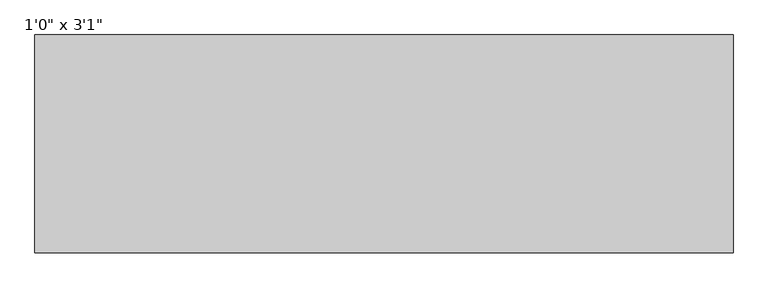
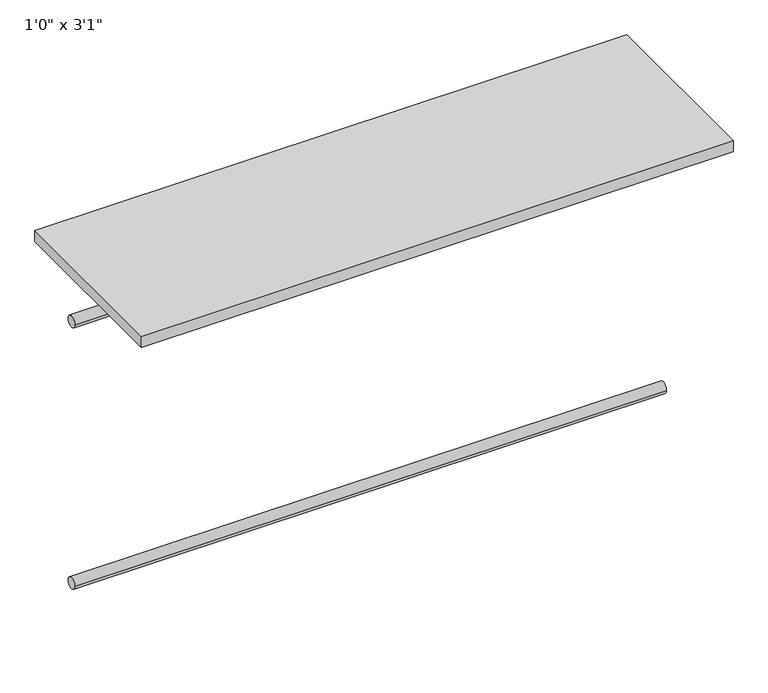
"""IFC4 building model written with IfcOpenShell, lengths in millimetres: furniture geometry."""

from ifc_helpers import new_model, si_unit, point, frame, frame_2d, origin, origin_with_axes, place, context, project, spatial, polyline, circle_curve, trimmed, segment, composite_curve, outline, extrude, source, transform, mapped, element, save


def furniture_14812b6c(model_context):
    return source(origin(), model_context, "Body", "SweptSolid", [
        extrude(outline(composite_curve([segment(trimmed(circle_curve(frame_2d((-342.9, -711.2)), 12.7), [point((-330.2, -711.2))], [point((-355.6, -711.2))], False, "CARTESIAN"), True, "CONTINUOUS"), segment(trimmed(circle_curve(frame_2d((-342.9, -711.2)), 12.7), [point((-355.6, -711.2))], [point((-330.2, -711.2))], False, "CARTESIAN"), True, "CONTINUOUS")], self_intersect=False)), frame((-633.0622951, 0.0, 0.0), z_axis=(1.0, 0.0, 0.0), x_axis=(0.0, 1.0, 0.0)), (0.0, 0.0, 1.0), 1303.6),
        extrude(outline(composite_curve([segment(trimmed(circle_curve(frame_2d((-342.9, -101.6)), 12.7), [point((-330.2, -101.6))], [point((-355.6, -101.6))], False, "CARTESIAN"), True, "CONTINUOUS"), segment(trimmed(circle_curve(frame_2d((-342.9, -101.6)), 12.7), [point((-355.6, -101.6))], [point((-330.2, -101.6))], False, "CARTESIAN"), True, "CONTINUOUS")], self_intersect=False)), frame((-633.0622951, 0.0, 0.0), z_axis=(1.0, 0.0, 0.0), x_axis=(0.0, 1.0, 0.0)), (0.0, 0.0, 1.0), 1303.6),
        extrude(outline(polyline([(670.5377049, -203.2), (670.5377049, -609.6), (-633.0622951, -609.6), (-633.0622951, -203.2), (670.5377049, -203.2)])), origin_with_axes(), (0.0, 0.0, 1.0), 25.4),
    ])


if __name__ == "__main__":
    model = new_model("IFC4")
    model_context = context("Model", 3, world=origin())
    ifc_project = project(units=[si_unit("LENGTHUNIT", "METRE", prefix="MILLI")], contexts=[model_context])
    site = spatial("IfcSite", under=ifc_project)
    building = spatial("IfcBuilding", under=site)
    placement = place(None, origin())
    furniture_shape = furniture_14812b6c(model_context)
    element("IfcFurniture", 1, ObjectType="1'0\" x 3'1\"", at=placement, inside=building, context=model_context, shape_type="MappedRepresentation", body=[
        mapped(furniture_shape, transform((0.0, 0.0, 0.0), x_axis=(1.0, 0.0, 0.0), y_axis=(0.0, 1.0, 0.0), z_axis=(0.0, 0.0, 1.0))),
    ])
    save(model, "model.ifc")
